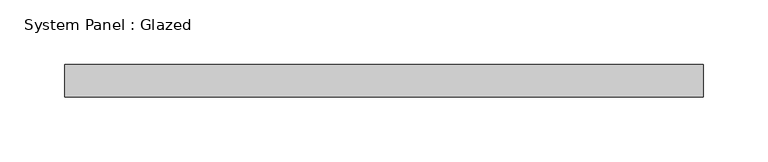
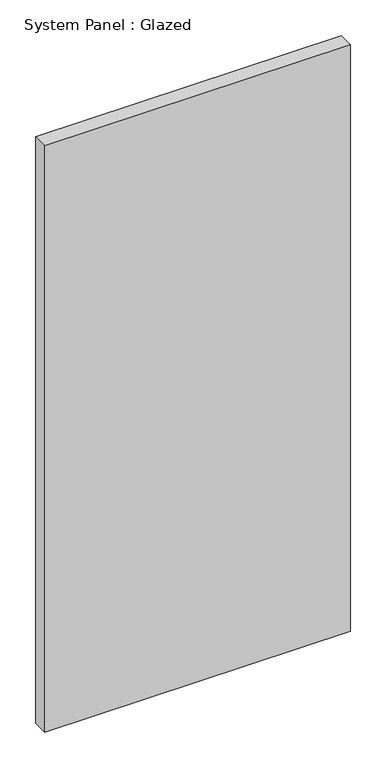
"""IFC4 building model written with IfcOpenShell, lengths in millimetres: plate geometry, System Panel : Glazed."""

from ifc_helpers import new_model, si_unit, origin, origin_with_axes, place, context, project, spatial, polyline, outline, extrude, source, transform, mapped, element, save


def system_panel_glazed_6adb5b51(model_context):
    return source(origin(), model_context, "Body", "SweptSolid", [
        extrude(outline(polyline([(247.5163511, 19.05), (-247.5163511, 19.05), (-247.5163511, 44.45), (247.5163511, 44.45), (247.5163511, 19.05)])), origin_with_axes(), (0.0, 0.0, 1.0), 1003.3),
    ])


if __name__ == "__main__":
    model = new_model("IFC4")
    model_context = context("Model", 3, world=origin())
    ifc_project = project(units=[si_unit("LENGTHUNIT", "METRE", prefix="MILLI")], contexts=[model_context])
    site = spatial("IfcSite", under=ifc_project)
    building = spatial("IfcBuilding", under=site)
    placement = place(None, origin())
    system_panel_glazed_shape = system_panel_glazed_6adb5b51(model_context)
    element("IfcPlate", 1, ObjectType="System Panel : Glazed", at=placement, inside=building, context=model_context, shape_type="MappedRepresentation", body=[
        mapped(system_panel_glazed_shape, transform((0.0, 0.0, 0.0), x_axis=(1.0, 0.0, 0.0), y_axis=(0.0, 1.0, 0.0), z_axis=(0.0, 0.0, 1.0))),
    ])
    save(model, "model.ifc")
